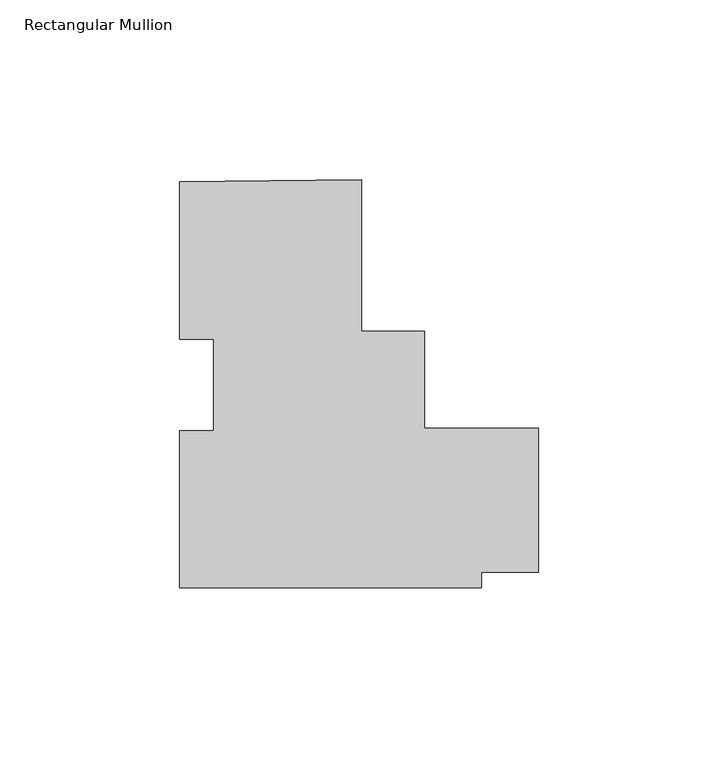
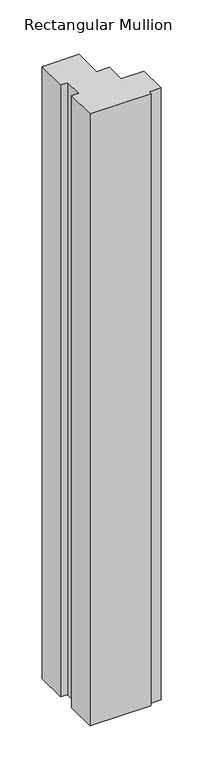
"""IFC4 building model written with IfcOpenShell, lengths in millimetres: member geometry, Rectangular Mullion."""

from ifc_helpers import new_model, si_unit, frame, origin, place, context, project, spatial, polyline, outline, extrude, source, transform, mapped, element, save


def rectangular_mullion_d1a21eec(model_context):
    return source(origin(), model_context, "Body", "SweptSolid", [
        extrude(outline(polyline([(10.7927347, 49.9428429), (10.7927347, 7.6295813), (28.2552347, 7.6295813), (28.2552347, -19.3878456), (60.0161047, -19.3878456), (60.0161047, -59.3929512), (44.1420142, -59.3929512), (44.1420142, -63.8298232), (-40.0072653, -63.8298232), (-40.0072653, -20.0220554), (-30.4822653, -20.0220554), (-30.4822653, 5.465643), (-40.0072653, 5.465643), (-40.0072653, 49.2848408), (10.7927347, 49.9428429)])), frame((0.0, 0.0, -886.968), z_axis=(0.0, 0.0, 1.0), x_axis=(1.0, 0.0, 0.0)), (0.0, 0.0, 1.0), 886.968),
    ])


if __name__ == "__main__":
    model = new_model("IFC4")
    model_context = context("Model", 3, world=origin())
    ifc_project = project(units=[si_unit("LENGTHUNIT", "METRE", prefix="MILLI")], contexts=[model_context])
    site = spatial("IfcSite", under=ifc_project)
    building = spatial("IfcBuilding", under=site)
    placement = place(None, origin())
    rectangular_mullion_shape = rectangular_mullion_d1a21eec(model_context)
    element("IfcMember", 1, ObjectType="Rectangular Mullion", at=placement, inside=building, context=model_context, shape_type="MappedRepresentation", body=[
        mapped(rectangular_mullion_shape, transform((0.0, 0.0, 0.0), x_axis=(1.0, 0.0, 0.0), y_axis=(0.0, 1.0, 0.0), z_axis=(0.0, 0.0, 1.0))),
    ])
    save(model, "model.ifc")
